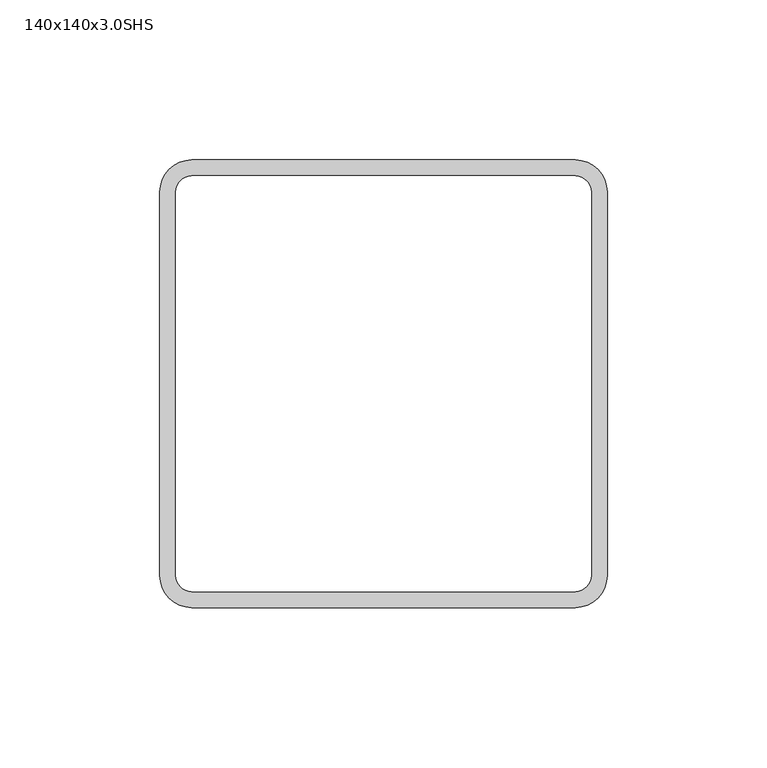
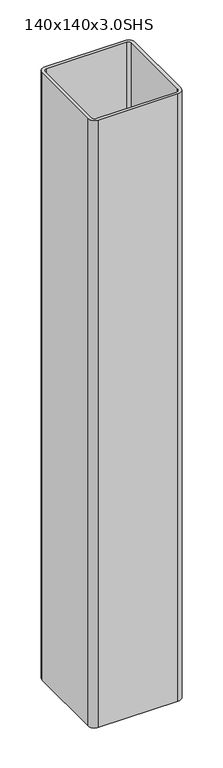
"""IFC4 building model written with IfcOpenShell, lengths in millimetres: column geometry, 140x140x3.0SHS."""

import ifcopenshell
import ifcopenshell.guid

model = None  # the IFC model being written
_history = None  # IfcOwnerHistory: only IFC2X3 demands one
_inside = {}  # id of a spatial element -> (the spatial element, [elements in it])
_under = {}  # id of a project, library or spatial element -> (it, [spatial elements below it])
_declared = {}  # id of a project -> (the project, [libraries it declares])
_typed = {}  # id of a type object -> (the type object, [elements of that type])
_made_of = {}  # id of a material, layer set ... -> (it, [elements and type objects made of it])


def new_model(schema):
    """Start an empty IFC model of exactly this schema.

    Asked for "IFC4X3", IfcOpenShell would pick the latest addendum, in which some entities
    have other attributes; the version numbers below select the first issue.
    IFC2X3 requires an IfcOwnerHistory on every rooted entity: one is made here for all.
    """
    global model, _history
    if schema == "IFC4X3":
        model = ifcopenshell.file(schema_version=(4, 3, 0, 0))
    else:
        model = ifcopenshell.file(schema=schema)
    _inside.clear()
    _under.clear()
    _declared.clear()
    _typed.clear()
    _made_of.clear()
    _history = None
    if model.schema == "IFC2X3":
        org = make("IfcOrganization", Name="unknown")
        user = make(
            "IfcPersonAndOrganization",
            ThePerson=make("IfcPerson", FamilyName="unknown"),
            TheOrganization=org,
        )
        app = make(
            "IfcApplication",
            ApplicationDeveloper=org,
            Version="unknown",
            ApplicationFullName="unknown",
            ApplicationIdentifier="unknown",
        )
        _history = make(
            "IfcOwnerHistory",
            OwningUser=user,
            OwningApplication=app,
            ChangeAction="ADDED",
            CreationDate=0,
        )
    return model


def make(cls, **values):
    """One entity of the class cls with the attributes given. An attribute that is None is left unset."""
    return model.create_entity(
        cls, **{name: value for name, value in values.items() if value is not None}
    )


def rooted(cls, **values):
    """An entity with a GlobalId (a new one), such as an element, a storey or a relation."""
    return make(cls, GlobalId=ifcopenshell.guid.new(), OwnerHistory=_history, **values)


def si_unit(unit_type, name, prefix=None):
    """IfcSIUnit, for example si_unit("LENGTHUNIT", "METRE", prefix="MILLI")."""
    return make("IfcSIUnit", UnitType=unit_type, Prefix=prefix, Name=name)


def assignment(units):
    """IfcUnitAssignment: the units of a project."""
    return None if units is None else make("IfcUnitAssignment", Units=units)


def point(xyz):
    """IfcCartesianPoint."""
    return None if xyz is None else make("IfcCartesianPoint", Coordinates=xyz)


def direction(xyz):
    """IfcDirection."""
    return None if xyz is None else make("IfcDirection", DirectionRatios=xyz)


def frame(location, z_axis=None, x_axis=None):
    """IfcAxis2Placement3D, a coordinate frame: its origin and axes. An axis left out is left unset."""
    return make(
        "IfcAxis2Placement3D",
        Location=point(location),
        Axis=direction(z_axis),
        RefDirection=direction(x_axis),
    )


def frame_2d(location, x_axis=None):
    """IfcAxis2Placement2D, a coordinate frame in the plane: its origin and x axis."""
    return make(
        "IfcAxis2Placement2D", Location=point(location), RefDirection=direction(x_axis)
    )


def origin():
    """The frame at (0, 0, 0) with its axes left unset."""
    return frame((0.0, 0.0, 0.0))


def place(relative_to, where):
    """IfcLocalPlacement: puts the frame where relative to a parent placement (None: the world)."""
    return make(
        "IfcLocalPlacement", PlacementRelTo=relative_to, RelativePlacement=where
    )


def context(
    kind, dimensions, precision=None, world=None, true_north=None, identifier=None
):
    """IfcGeometricRepresentationContext, for example the 3D "Model" context."""
    return make(
        "IfcGeometricRepresentationContext",
        ContextIdentifier=identifier,
        ContextType=kind,
        CoordinateSpaceDimension=dimensions,
        Precision=precision,
        WorldCoordinateSystem=world,
        TrueNorth=true_north,
    )


def project(units=None, contexts=None):
    """IfcProject with its units and contexts."""
    return rooted(
        "IfcProject",
        Name="project",
        RepresentationContexts=contexts,
        UnitsInContext=assignment(units),
    )


def spatial(cls, under=None, at=None, **own):
    """A site, building, storey or space (cls), placed at a placement, below another one or the project."""
    s = rooted(cls, ObjectPlacement=at, **own)
    if under is not None:
        _under.setdefault(under.id(), (under, []))[1].append(s)
    return s


def polyline(points):
    """IfcPolyline through the points."""
    return make("IfcPolyline", Points=[point(p) for p in points])


def circle_curve(where, radius):
    """IfcCircle in the frame where."""
    return make("IfcCircle", Position=where, Radius=radius)


def trimmed(basis, trim1, trim2, sense, master):
    """IfcTrimmedCurve: the piece of a basis curve between two trims."""
    return make(
        "IfcTrimmedCurve",
        BasisCurve=basis,
        Trim1=trim1,
        Trim2=trim2,
        SenseAgreement=sense,
        MasterRepresentation=master,
    )


def segment(curve, same_sense, transition):
    """IfcCompositeCurveSegment."""
    return make(
        "IfcCompositeCurveSegment",
        Transition=transition,
        SameSense=same_sense,
        ParentCurve=curve,
    )


def composite_curve(segments, self_intersect=None):
    """IfcCompositeCurve: segments joined end to end."""
    return make("IfcCompositeCurve", Segments=segments, SelfIntersect=self_intersect)


def outline(outer, holes=None, kind="AREA"):
    """IfcArbitraryClosedProfileDef: a profile drawn as a closed curve; with holes, ...WithVoids."""
    if holes is None:
        return make("IfcArbitraryClosedProfileDef", ProfileType=kind, OuterCurve=outer)
    return make(
        "IfcArbitraryProfileDefWithVoids",
        ProfileType=kind,
        OuterCurve=outer,
        InnerCurves=holes,
    )


def extrude(swept, where, along, depth):
    """IfcExtrudedAreaSolid: the profile swept, set in the frame where, extruded along a direction by depth."""
    return make(
        "IfcExtrudedAreaSolid",
        SweptArea=swept,
        Position=where,
        ExtrudedDirection=direction(along),
        Depth=depth,
    )


def shape(context_of_items, identifier, shape_type, items):
    """IfcShapeRepresentation: the items that make up one representation, for example the "Body"."""
    return make(
        "IfcShapeRepresentation",
        ContextOfItems=context_of_items,
        RepresentationIdentifier=identifier,
        RepresentationType=shape_type,
        Items=items,
    )


def source(mapping_origin, context_of_items, identifier, shape_type, items):
    """IfcRepresentationMap: a shape defined once, which mapped items show again and again."""
    return make(
        "IfcRepresentationMap",
        MappingOrigin=mapping_origin,
        MappedRepresentation=shape(context_of_items, identifier, shape_type, items),
    )


def transform(
    local_origin,
    x_axis=None,
    y_axis=None,
    z_axis=None,
    scale=None,
    scale2=None,
    scale3=None,
    uniform=True,
):
    """IfcCartesianTransformationOperator3D, or its non-uniform kind. x_axis, y_axis, z_axis: its Axis1, 2, 3."""
    if uniform:
        return make(
            "IfcCartesianTransformationOperator3D",
            Axis1=direction(x_axis),
            Axis2=direction(y_axis),
            LocalOrigin=point(local_origin),
            Scale=scale,
            Axis3=direction(z_axis),
        )
    return make(
        "IfcCartesianTransformationOperator3DnonUniform",
        Axis1=direction(x_axis),
        Axis2=direction(y_axis),
        LocalOrigin=point(local_origin),
        Scale=scale,
        Axis3=direction(z_axis),
        Scale2=scale2,
        Scale3=scale3,
    )


def mapped(mapping_source, mapping_target):
    """IfcMappedItem: shows the shape of a source again, moved by a transform."""
    return make(
        "IfcMappedItem", MappingSource=mapping_source, MappingTarget=mapping_target
    )


def made_of(thing, what):
    """Note that an element or type object is made of a material, layer set ...; save() writes the relation."""
    if what is not None:
        _made_of.setdefault(what.id(), (what, []))[1].append(thing)
    return thing


def element(
    cls,
    number,
    at=None,
    inside=None,
    cuts=None,
    type_object=None,
    material=None,
    context=None,
    identifier="Body",
    shape_type=None,
    held_by="IfcProductDefinitionShape",
    body=None,
    shapes=None,
    **own,
):
    """One element of the class cls, such as IfcWall. Its Tag is "e" and its number.

    at: its placement. inside: the storey or other place that contains it. cuts: it is an
    opening in that element (IfcRelVoidsElement). A single representation is given by context,
    identifier, shape_type and body (its items); several are given by shapes. held_by: the class
    of the entity that holds the representations. save() writes the other relations.
    """
    e = rooted(cls, Tag="e%d" % number, ObjectPlacement=at, **own)
    if body is not None:
        shapes = [shape(context, identifier, shape_type, body)]
    if shapes is not None:
        e.Representation = make(held_by, Representations=shapes)
    if inside is not None:
        _inside.setdefault(inside.id(), (inside, []))[1].append(e)
    if cuts is not None:
        rooted(
            "IfcRelVoidsElement", RelatingBuildingElement=cuts, RelatedOpeningElement=e
        )
    if type_object is not None:
        _typed.setdefault(type_object.id(), (type_object, []))[1].append(e)
    return made_of(e, material)


def aggregate(whole, parts):
    """IfcRelAggregates: a whole, such as a stair, and the parts it consists of."""
    return rooted("IfcRelAggregates", RelatingObject=whole, RelatedObjects=parts)


def save(model, path):
    """Write the relations noted so far, then the file.

    IfcRelAggregates (storeys below a building ...), IfcRelContainedInSpatialStructure (elements
    in a storey), IfcRelDefinesByType, IfcRelAssociatesMaterial and IfcRelDeclares: one each for
    every whole, place, type object, material and project.
    """
    for whole, parts in _under.values():
        aggregate(whole, parts)
    for where, things in _inside.values():
        rooted(
            "IfcRelContainedInSpatialStructure",
            RelatedElements=things,
            RelatingStructure=where,
        )
    for kind, things in _typed.values():
        rooted("IfcRelDefinesByType", RelatedObjects=things, RelatingType=kind)
    for what, things in _made_of.values():
        rooted("IfcRelAssociatesMaterial", RelatedObjects=things, RelatingMaterial=what)
    for by, libraries in _declared.values():
        rooted("IfcRelDeclares", RelatingContext=by, RelatedDefinitions=libraries)
    model.write(path)


def column_140x140x3_0shs_c2c79970(model_context):
    return source(origin(), model_context, "Body", "SweptSolid", [
        extrude(outline(composite_curve([segment(trimmed(circle_curve(frame_2d((60.0, 60.0)), 10.0), [point((60.0, 70.0))], [point((70.0, 60.0))], False, "CARTESIAN"), True, "CONTINUOUS"), segment(polyline([(70.0, 60.0), (70.0, -60.0)]), True, "CONTINUOUS"), segment(trimmed(circle_curve(frame_2d((60.0, -60.0)), 10.0), [point((70.0, -60.0))], [point((60.0, -70.0))], False, "CARTESIAN"), True, "CONTINUOUS"), segment(polyline([(60.0, -70.0), (-60.0, -70.0)]), True, "CONTINUOUS"), segment(trimmed(circle_curve(frame_2d((-60.0, -60.0)), 10.0), [point((-60.0, -70.0))], [point((-70.0, -60.0))], False, "CARTESIAN"), True, "CONTINUOUS"), segment(polyline([(-70.0, -60.0), (-70.0, 60.0)]), True, "CONTINUOUS"), segment(trimmed(circle_curve(frame_2d((-60.0, 60.0)), 10.0), [point((-70.0, 60.0))], [point((-60.0, 70.0))], False, "CARTESIAN"), True, "CONTINUOUS"), segment(polyline([(-60.0, 70.0), (60.0, 70.0)]), True, "CONTINUOUS")], self_intersect=False), holes=[composite_curve([segment(polyline([(60.0, 65.0), (-60.0, 65.0)]), True, "CONTINUOUS"), segment(trimmed(circle_curve(frame_2d((-60.0, 60.0)), 5.0), [point((-60.0, 65.0))], [point((-65.0, 60.0))], True, "CARTESIAN"), True, "CONTINUOUS"), segment(polyline([(-65.0, 60.0), (-65.0, -60.0)]), True, "CONTINUOUS"), segment(trimmed(circle_curve(frame_2d((-60.0, -60.0)), 5.0), [point((-65.0, -60.0))], [point((-60.0, -65.0))], True, "CARTESIAN"), True, "CONTINUOUS"), segment(polyline([(-60.0, -65.0), (60.0, -65.0)]), True, "CONTINUOUS"), segment(trimmed(circle_curve(frame_2d((60.0, -60.0)), 5.0), [point((60.0, -65.0))], [point((65.0, -60.0))], True, "CARTESIAN"), True, "CONTINUOUS"), segment(polyline([(65.0, -60.0), (65.0, 60.0)]), True, "CONTINUOUS"), segment(trimmed(circle_curve(frame_2d((60.0, 60.0)), 5.0), [point((65.0, 60.0))], [point((60.0, 65.0))], True, "CARTESIAN"), True, "CONTINUOUS")], self_intersect=False)]), frame((0.0, 0.0, 34.0), z_axis=(0.0, 0.0, 1.0), x_axis=(1.0, 0.0, 0.0)), (0.0, 0.0, 1.0), 966.0),
    ])


if __name__ == "__main__":
    model = new_model("IFC4")
    model_context = context("Model", 3, world=origin())
    ifc_project = project(units=[si_unit("LENGTHUNIT", "METRE", prefix="MILLI")], contexts=[model_context])
    site = spatial("IfcSite", under=ifc_project)
    building = spatial("IfcBuilding", under=site)
    placement = place(None, origin())
    column_140x140x3_0shs_shape = column_140x140x3_0shs_c2c79970(model_context)
    element("IfcColumn", 1, ObjectType="140x140x3.0SHS", at=placement, inside=building, context=model_context, shape_type="MappedRepresentation", body=[
        mapped(column_140x140x3_0shs_shape, transform((0.0, 0.0, 0.0), x_axis=(1.0, 0.0, 0.0), y_axis=(0.0, 1.0, 0.0), z_axis=(0.0, 0.0, 1.0))),
    ])
    save(model, "model.ifc")
